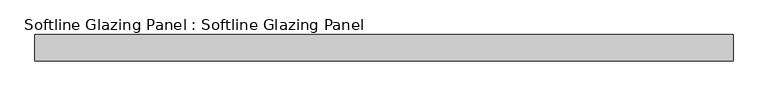
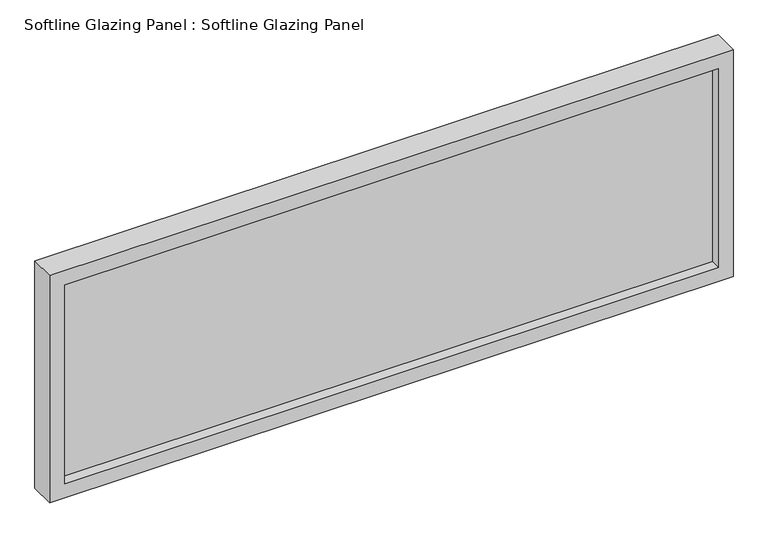
"""IFC4 building model written with IfcOpenShell, lengths in millimetres: plate geometry, Softline Glazing Panel : Softline Glazing Panel."""

from ifc_helpers import new_model, si_unit, frame, origin, place, context, project, spatial, polyline, outline, extrude, faceted_brep, source, transform, mapped, element, save


def softline_glazing_panel_softline_glazing_panel_d4943c2f(model_context):
    return source(origin(), model_context, "Body", "SolidModel", [
        extrude(outline(polyline([(584.0, 4.0), (584.0, -4.0), (-584.0, -4.0), (-584.0, 4.0), (584.0, 4.0)])), frame((0.0, 0.0, 16.0), z_axis=(0.0, 0.0, 1.0), x_axis=(1.0, 0.0, 0.0)), (0.0, 0.0, 1.0), 390.0),
        faceted_brep([(574.0, 4.0, 26.0), (574.0, 22.5, 26.0), (-574.0, 22.5, 26.0), (-574.0, 4.0, 26.0), (584.0, -4.0, 16.0), (584.0, 4.0, 16.0), (-584.0, 4.0, 16.0), (-584.0, -4.0, 16.0), (574.0, -22.5, 26.0), (574.0, -4.0, 26.0), (-574.0, -4.0, 26.0), (-574.0, -22.5, 26.0), (600.0, 22.5, 0.0), (600.0, -22.5, 0.0), (-600.0, -22.5, 0.0), (-600.0, 22.5, 0.0), (-574.0, 22.5, 396.0), (-574.0, 4.0, 396.0), (-584.0, 4.0, 406.0), (-584.0, -4.0, 406.0), (-574.0, -4.0, 396.0), (-574.0, -22.5, 396.0), (-600.0, -22.5, 422.0), (-600.0, 22.5, 422.0), (574.0, 22.5, 396.0), (574.0, 4.0, 396.0), (584.0, 4.0, 406.0), (584.0, -4.0, 406.0), (574.0, -4.0, 396.0), (574.0, -22.5, 396.0), (600.0, -22.5, 422.0), (600.0, 22.5, 422.0)], [[[0, 1, 2, 3]], [[4, 5, 6, 7]], [[8, 9, 10, 11]], [[12, 13, 14, 15]], [[3, 2, 16, 17]], [[7, 6, 18, 19]], [[11, 10, 20, 21]], [[15, 14, 22, 23]], [[17, 16, 24, 25]], [[19, 18, 26, 27]], [[21, 20, 28, 29]], [[23, 22, 30, 31]], [[15, 23, 31, 12], [1, 24, 16, 2]], [[25, 24, 1, 0]], [[5, 26, 18, 6], [3, 17, 25, 0]], [[27, 26, 5, 4]], [[7, 19, 27, 4], [9, 28, 20, 10]], [[29, 28, 9, 8]], [[13, 30, 22, 14], [11, 21, 29, 8]], [[31, 30, 13, 12]]]),
    ])


if __name__ == "__main__":
    model = new_model("IFC4")
    model_context = context("Model", 3, world=origin())
    ifc_project = project(units=[si_unit("LENGTHUNIT", "METRE", prefix="MILLI")], contexts=[model_context])
    site = spatial("IfcSite", under=ifc_project)
    building = spatial("IfcBuilding", under=site)
    placement = place(None, origin())
    softline_glazing_panel_softline_glazing_panel_shape = softline_glazing_panel_softline_glazing_panel_d4943c2f(model_context)
    element("IfcPlate", 1, ObjectType="Softline Glazing Panel : Softline Glazing Panel", at=placement, inside=building, context=model_context, shape_type="MappedRepresentation", body=[
        mapped(softline_glazing_panel_softline_glazing_panel_shape, transform((0.0, 0.0, 0.0), x_axis=(1.0, 0.0, 0.0), y_axis=(0.0, 1.0, 0.0), z_axis=(0.0, 0.0, 1.0))),
    ])
    save(model, "model.ifc")
